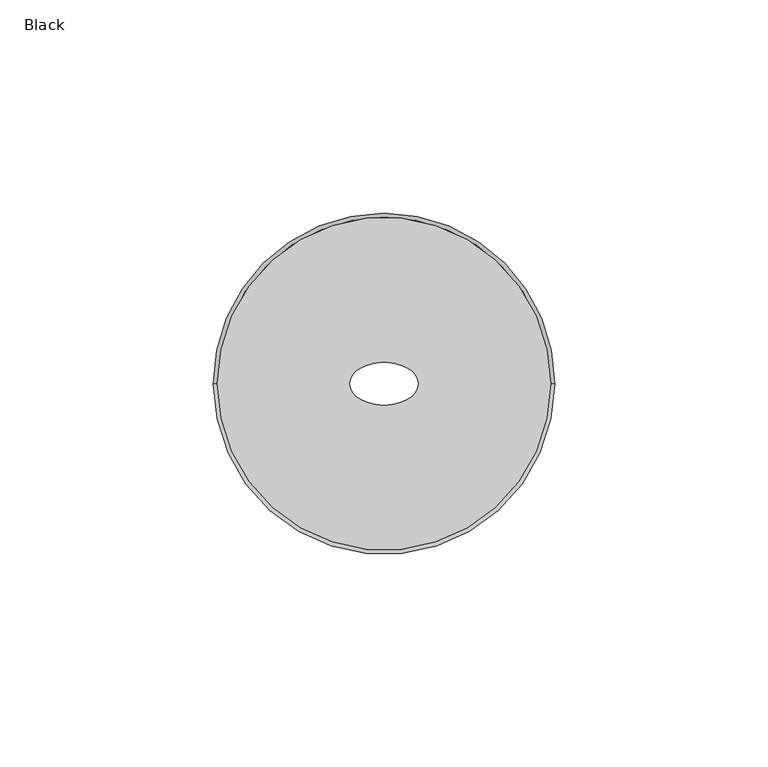
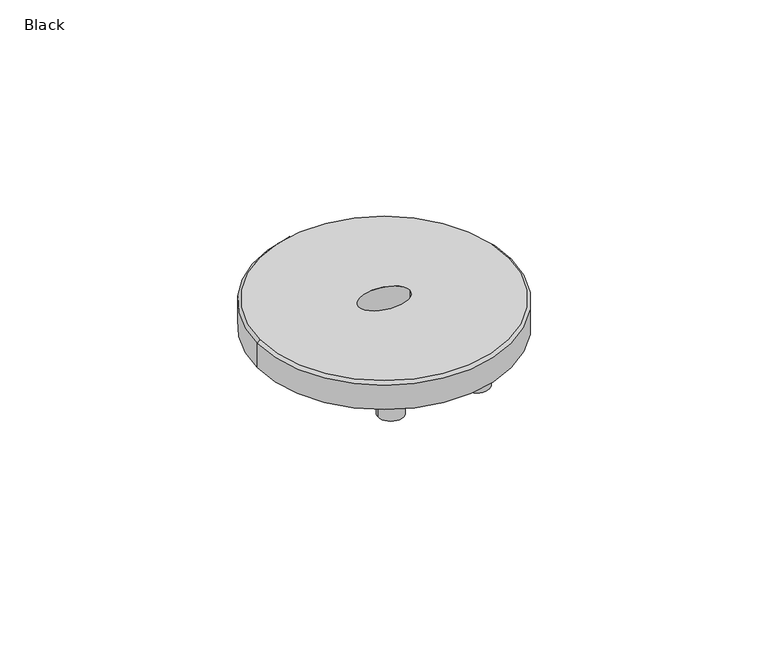
"""IFC4 building model written with IfcOpenShell, lengths in millimetres: proxy geometry, Black."""

from ifc_helpers import new_model, si_unit, point, frame, frame_2d, origin, origin_with_axes, place, context, project, spatial, polyline, circle_curve, ellipse_curve, trimmed, segment, composite_curve, outline, extrude, source, transform, mapped, element, save
from ifc_brep_helpers import plane_surface, cylinder_surface, revolved_surface, extruded_surface, advanced_brep


def black_374c6fee(model_context):
    return source(origin(), model_context, "Body", "SolidModel", [
        advanced_brep(
        [(-39.044618, 0.0, 9.0), (39.044618, 0.0, 9.0), (-8.0, 0.0, 9.0), (8.0, 0.0, 9.0), (-40.0, 0.0, 0.0), (40.0, 0.0, 0.0), (8.0, 0.0, 0.0), (-8.0, 0.0, 0.0), (40.0, 0.0, 8.044618), (-40.0, 0.0, 8.044618)],
        [
            (0, 1, circle_curve(frame((0.0, 0.0, 9.0), z_axis=(0.0, 0.0, 1.0), x_axis=(1.0, 0.0, 0.0)), 39.044618)),
            (1, 0, circle_curve(frame((0.0, 0.0, 9.0), z_axis=(0.0, 0.0, 1.0), x_axis=(-1.0, 0.0, 0.0)), 39.044618)),
            (2, 3, ellipse_curve(frame((0.0, 0.0, 9.0), z_axis=(0.0, 0.0, -1.0), x_axis=(-1.0, 0.0, 0.0)), 8.0, 5.0)),
            (3, 2, ellipse_curve(frame((0.0, 0.0, 9.0), z_axis=(0.0, 0.0, -1.0), x_axis=(-1.0, 0.0, 0.0)), 8.0, 5.0)),
            (4, 5, circle_curve(frame((0.0, 0.0, 0.0), z_axis=(0.0, 0.0, -1.0), x_axis=(1.0, 0.0, 0.0)), 40.0)),
            (5, 4, circle_curve(frame((0.0, 0.0, 0.0), z_axis=(0.0, 0.0, -1.0), x_axis=(1.0, 0.0, 0.0)), 40.0)),
            (6, 7, ellipse_curve(frame((0.0, 0.0, 0.0), z_axis=(0.0, 0.0, 1.0), x_axis=(-1.0, 0.0, 0.0)), 8.0, 5.0)),
            (7, 6, ellipse_curve(frame((0.0, 0.0, 0.0), z_axis=(0.0, 0.0, 1.0), x_axis=(-1.0, 0.0, 0.0)), 8.0, 5.0)),
            (2, 7),
            (6, 3),
            (5, 8),
            (8, 9, circle_curve(frame((0.0, 0.0, 8.044618), z_axis=(0.0, 0.0, -1.0), x_axis=(1.0, 0.0, 0.0)), 40.0)),
            (9, 4),
            (9, 8, circle_curve(frame((0.0, 0.0, 8.044618), z_axis=(0.0, 0.0, -1.0), x_axis=(1.0, 0.0, 0.0)), 40.0)),
            (0, 9),
            (8, 1),
        ],
        [
            plane_surface(frame((40.0, 0.0, 9.0), z_axis=(0.0, 0.0, 1.0), x_axis=(0.0, 1.0, 0.0))),
            plane_surface(frame((40.0, 0.0, 0.0), z_axis=(0.0, 0.0, -1.0), x_axis=(0.0, -1.0, 0.0))),
            extruded_surface(trimmed(ellipse_curve(frame((0.0, 0.0, 0.0), z_axis=(0.0, 0.0, 1.0), x_axis=(-1.0, 0.0, 0.0)), 8.0, 5.0), [point((8.0, 0.0, 0.0))], [point((-8.0, 0.0, 0.0))], True, "CARTESIAN"), (0.0, 0.0, -9.0), 9.0),
            extruded_surface(trimmed(ellipse_curve(frame((0.0, 0.0, 0.0), z_axis=(0.0, 0.0, 1.0), x_axis=(-1.0, 0.0, 0.0)), 8.0, 5.0), [point((-8.0, 0.0, 0.0))], [point((8.0, 0.0, 0.0))], True, "CARTESIAN"), (0.0, 0.0, -9.0), 9.0),
            cylinder_surface(origin_with_axes(), 40.0),
            revolved_surface(polyline([(39.044618, 0.0, 9.0), (40.0, 0.0, 8.044618)]), (0.0, 0.0, 9.0), (0.0, 0.0, -1.0)),
            revolved_surface(polyline([(-39.044618, 0.0, 9.0), (-40.0, 0.0, 8.044618)]), (0.0, 0.0, 9.0), (0.0, 0.0, -1.0)),
        ],
        [
            (0, [[1, 2], [3, 4]]),
            (1, [[5, 6], [7, 8]]),
            (2, [[9, -7, 10, -3]]),
            (3, [[-9, -4, -10, -8]]),
            (4, [[-6, 11, 12, 13]]),
            (4, [[-5, -13, 14, -11]]),
            (5, [[15, -12, 16, -1]]),
            (6, [[-15, -2, -16, -14]]),
        ],
    ),
        extrude(outline(composite_curve([segment(trimmed(circle_curve(frame_2d((-13.5, -27.0)), 4.0), [point((-17.5, -27.0))], [point((-9.5, -27.0))], False, "CARTESIAN"), True, "CONTINUOUS"), segment(trimmed(circle_curve(frame_2d((-13.5, -27.0)), 4.0), [point((-9.5, -27.0))], [point((-17.5, -27.0))], False, "CARTESIAN"), True, "CONTINUOUS")], self_intersect=False)), frame((0.0, 0.0, -8.0), z_axis=(0.0, 0.0, 1.0), x_axis=(1.0, 0.0, 0.0)), (0.0, 0.0, 1.0), 8.0),
        extrude(outline(composite_curve([segment(trimmed(circle_curve(frame_2d((13.5, -27.0)), 4.0), [point((9.5, -27.0))], [point((17.5, -27.0))], False, "CARTESIAN"), True, "CONTINUOUS"), segment(trimmed(circle_curve(frame_2d((13.5, -27.0)), 4.0), [point((17.5, -27.0))], [point((9.5, -27.0))], False, "CARTESIAN"), True, "CONTINUOUS")], self_intersect=False)), frame((0.0, 0.0, -8.0), z_axis=(0.0, 0.0, 1.0), x_axis=(1.0, 0.0, 0.0)), (0.0, 0.0, 1.0), 8.0),
        extrude(outline(composite_curve([segment(trimmed(circle_curve(frame_2d((-13.5, 27.0)), 4.0), [point((-17.5, 27.0))], [point((-9.5, 27.0))], False, "CARTESIAN"), True, "CONTINUOUS"), segment(trimmed(circle_curve(frame_2d((-13.5, 27.0)), 4.0), [point((-9.5, 27.0))], [point((-17.5, 27.0))], False, "CARTESIAN"), True, "CONTINUOUS")], self_intersect=False)), frame((0.0, 0.0, -8.0), z_axis=(0.0, 0.0, 1.0), x_axis=(1.0, 0.0, 0.0)), (0.0, 0.0, 1.0), 8.0),
        extrude(outline(composite_curve([segment(trimmed(circle_curve(frame_2d((13.5, 27.0)), 4.0), [point((9.5, 27.0))], [point((17.5, 27.0))], False, "CARTESIAN"), True, "CONTINUOUS"), segment(trimmed(circle_curve(frame_2d((13.5, 27.0)), 4.0), [point((17.5, 27.0))], [point((9.5, 27.0))], False, "CARTESIAN"), True, "CONTINUOUS")], self_intersect=False)), frame((0.0, 0.0, -8.0), z_axis=(0.0, 0.0, 1.0), x_axis=(1.0, 0.0, 0.0)), (0.0, 0.0, 1.0), 8.0),
    ])


if __name__ == "__main__":
    model = new_model("IFC4")
    model_context = context("Model", 3, world=origin())
    ifc_project = project(units=[si_unit("LENGTHUNIT", "METRE", prefix="MILLI")], contexts=[model_context])
    site = spatial("IfcSite", under=ifc_project)
    building = spatial("IfcBuilding", under=site)
    placement = place(None, origin())
    black_shape = black_374c6fee(model_context)
    element("IfcBuildingElementProxy", 1, Name="Black", ObjectType="Black", at=placement, inside=building, context=model_context, shape_type="MappedRepresentation", body=[
        mapped(black_shape, transform((0.0, 0.0, 0.0), x_axis=(1.0, 0.0, 0.0), y_axis=(0.0, 1.0, 0.0), z_axis=(0.0, 0.0, 1.0))),
    ])
    save(model, "model.ifc")
